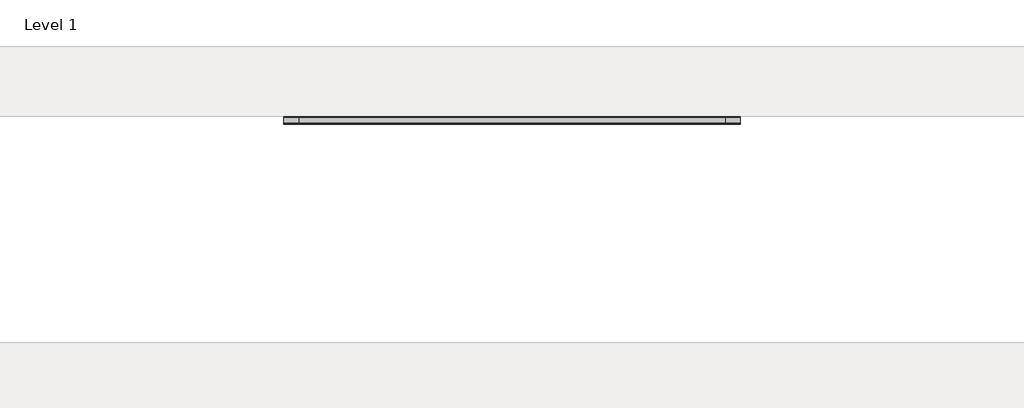
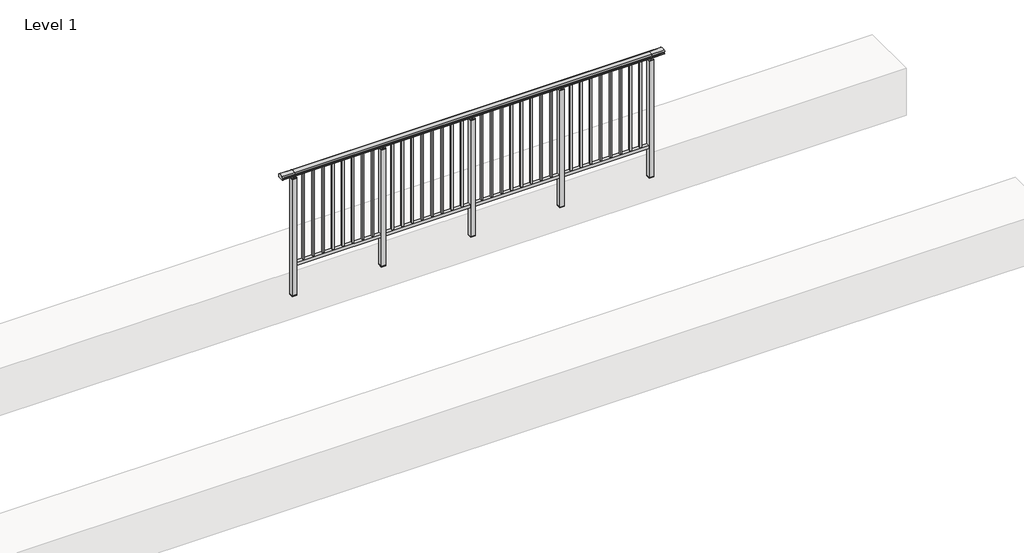
# One storey, part 35 of 64: 1 railing.
"""IFC4 building model written with IfcOpenShell, lengths in millimetres."""

from ifc_helpers import new_model, si_unit, frame, origin, place, context, project, spatial, polyline, circle_curve, outline, extrude, element, save
from ifc_brep_helpers import plane_surface, cylinder_surface, revolved_surface, advanced_brep

model = new_model("IFC4")

# Units and contexts
model_context = context("Model", 3, world=origin())
ifc_project = project(units=[si_unit("LENGTHUNIT", "METRE", prefix="MILLI")], contexts=[model_context])

# Site, building, storey
site = spatial("IfcSite", under=ifc_project)
building = spatial("IfcBuilding", under=site)
storey = spatial("IfcBuildingStorey", under=building, Name="Level 1", Elevation=0.0)

# Railing
placement = place(None, origin())
element("IfcRailing", 1, at=placement, inside=storey, context=model_context, shape_type="SolidModel", body=[
    advanced_brep(
    [(19372.5, 22392.8633756, 1095.6691182), (19372.5, 22397.6846828, 1081.1334092), (19372.5, 22396.7413744, 1069.2539035), (19372.5, 22398.6364177, 1061.4863007), (19372.5, 22396.9894799, 1060.384124), (19372.5, 22396.9894799, 1062.0), (19372.5, 22338.3798858, 1062.0), (19372.5, 22338.3798858, 1060.384124), (19372.5, 22336.732948, 1061.4863007), (19372.5, 22338.6279912, 1069.2539035), (19372.5, 22337.6846828, 1081.1334092), (19372.5, 22342.50599, 1095.6691182), (23227.5, 22392.8633756, 1095.6691182), (23227.5, 22342.50599, 1095.6691182), (23227.5, 22337.6846828, 1081.1334092), (23227.5, 22338.6279912, 1069.2539035), (23227.5, 22336.732948, 1061.4863007), (23227.5, 22338.3798858, 1060.384124), (23227.5, 22338.3798858, 1062.0), (23227.5, 22396.9894799, 1062.0), (23227.5, 22396.9894799, 1060.384124), (23227.5, 22398.6364177, 1061.4863007), (23227.5, 22396.7413744, 1069.2539035), (23227.5, 22397.6846828, 1081.1334092), (19500.0, 22392.8633756, 1095.6691182), (19500.0, 22397.6846828, 1081.1334092), (19500.0, 22396.7413744, 1069.2539035), (19500.0, 22398.6364177, 1061.4863007), (19500.0, 22396.9894799, 1060.384124), (19500.0, 22396.9894799, 1062.0), (19500.0, 22338.3798858, 1062.0), (19500.0, 22338.3798858, 1060.384124), (19500.0, 22336.732948, 1061.4863007), (19500.0, 22338.6279912, 1069.2539035), (19500.0, 22337.6846828, 1081.1334092), (19500.0, 22342.50599, 1095.6691182), (23100.0, 22392.8633756, 1095.6691182), (23100.0, 22397.6846828, 1081.1334092), (23100.0, 22396.7413744, 1069.2539035), (23100.0, 22398.6364177, 1061.4863007), (23100.0, 22396.9894799, 1060.384124), (23100.0, 22396.9894799, 1062.0), (23100.0, 22338.3798858, 1062.0), (23100.0, 22338.3798858, 1060.384124), (23100.0, 22336.732948, 1061.4863007), (23100.0, 22338.6279912, 1069.2539035), (23100.0, 22337.6846828, 1081.1334092), (23100.0, 22342.50599, 1095.6691182)],
    [
        (0, 1, circle_curve(frame((19372.5, 22389.6223845, 1086.526686), z_axis=(-1.0, 0.0, 0.0), x_axis=(0.0, -1.0, 0.0)), 9.6999015)),
        (1, 2, circle_curve(frame((19372.5, 22415.2252545, 1073.7633709), z_axis=(1.0, 0.0, 0.0), x_axis=(0.0, -1.0, 0.0)), 19.0260117)),
        (2, 3),
        (3, 4, circle_curve(frame((19372.5, 22397.7772073, 1060.9886194), z_axis=(-1.0, 0.0, 0.0), x_axis=(0.0, -1.0, 0.0)), 0.9929396)),
        (4, 5),
        (5, 6),
        (6, 7),
        (7, 8, circle_curve(frame((19372.5, 22337.5921584, 1060.9886194), z_axis=(-1.0, 0.0, 0.0), x_axis=(0.0, 1.0, 0.0)), 0.9929396)),
        (8, 9),
        (9, 10, circle_curve(frame((19372.5, 22320.1441111, 1073.7633709), z_axis=(1.0, 0.0, 0.0), x_axis=(0.0, 1.0, 0.0)), 19.0260117)),
        (10, 11, circle_curve(frame((19372.5, 22345.7469812, 1086.526686), z_axis=(-1.0, 0.0, 0.0), x_axis=(0.0, 1.0, 0.0)), 9.6999015)),
        (11, 0, circle_curve(frame((19372.5, 22367.6846828, 1024.6431628), z_axis=(-1.0, 0.0, 0.0), x_axis=(0.0, 1.0, 0.0)), 75.3568372)),
        (12, 13, circle_curve(frame((23227.5, 22367.6846828, 1024.6431628), z_axis=(1.0, 0.0, 0.0), x_axis=(0.0, 1.0, 0.0)), 75.3568372)),
        (13, 14, circle_curve(frame((23227.5, 22345.7469812, 1086.526686), z_axis=(1.0, 0.0, 0.0), x_axis=(0.0, 1.0, 0.0)), 9.6999015)),
        (14, 15, circle_curve(frame((23227.5, 22320.1441111, 1073.7633709), z_axis=(-1.0, 0.0, 0.0), x_axis=(0.0, 1.0, 0.0)), 19.0260117)),
        (15, 16),
        (16, 17, circle_curve(frame((23227.5, 22337.5921584, 1060.9886194), z_axis=(1.0, 0.0, 0.0), x_axis=(0.0, 1.0, 0.0)), 0.9929396)),
        (17, 18),
        (18, 19),
        (19, 20),
        (20, 21, circle_curve(frame((23227.5, 22397.7772073, 1060.9886194), z_axis=(1.0, 0.0, 0.0), x_axis=(0.0, -1.0, 0.0)), 0.9929396)),
        (21, 22),
        (22, 23, circle_curve(frame((23227.5, 22415.2252545, 1073.7633709), z_axis=(-1.0, 0.0, 0.0), x_axis=(0.0, -1.0, 0.0)), 19.0260117)),
        (23, 12, circle_curve(frame((23227.5, 22389.6223845, 1086.526686), z_axis=(1.0, 0.0, 0.0), x_axis=(0.0, -1.0, 0.0)), 9.6999015)),
        (0, 24),
        (24, 25, circle_curve(frame((19500.0, 22389.6223845, 1086.526686), z_axis=(-1.0, 0.0, 0.0), x_axis=(0.0, -1.0, 0.0)), 9.6999015)),
        (25, 1),
        (25, 26, circle_curve(frame((19500.0, 22415.2252545, 1073.7633709), z_axis=(1.0, 0.0, 0.0), x_axis=(0.0, -1.0, 0.0)), 19.0260117)),
        (26, 2),
        (26, 27),
        (27, 3),
        (27, 28, circle_curve(frame((19500.0, 22397.7772073, 1060.9886194), z_axis=(-1.0, 0.0, 0.0), x_axis=(0.0, -1.0, 0.0)), 0.9929396)),
        (28, 4),
        (28, 29),
        (29, 5),
        (29, 30),
        (30, 6),
        (30, 31),
        (31, 7),
        (31, 32, circle_curve(frame((19500.0, 22337.5921584, 1060.9886194), z_axis=(-1.0, 0.0, 0.0), x_axis=(0.0, 1.0, 0.0)), 0.9929396)),
        (32, 8),
        (32, 33),
        (33, 9),
        (33, 34, circle_curve(frame((19500.0, 22320.1441111, 1073.7633709), z_axis=(1.0, 0.0, 0.0), x_axis=(0.0, 1.0, 0.0)), 19.0260117)),
        (34, 10),
        (34, 35, circle_curve(frame((19500.0, 22345.7469812, 1086.526686), z_axis=(-1.0, 0.0, 0.0), x_axis=(0.0, 1.0, 0.0)), 9.6999015)),
        (35, 11),
        (35, 24, circle_curve(frame((19500.0, 22367.6846828, 1024.6431628), z_axis=(-1.0, 0.0, 0.0), x_axis=(0.0, 1.0, 0.0)), 75.3568372)),
        (24, 36),
        (36, 37, circle_curve(frame((23100.0, 22389.6223845, 1086.526686), z_axis=(-1.0, 0.0, 0.0), x_axis=(0.0, -1.0, 0.0)), 9.6999015)),
        (37, 25),
        (37, 38, circle_curve(frame((23100.0, 22415.2252545, 1073.7633709), z_axis=(1.0, 0.0, 0.0), x_axis=(0.0, -1.0, 0.0)), 19.0260117)),
        (38, 26),
        (38, 39),
        (39, 27),
        (39, 40, circle_curve(frame((23100.0, 22397.7772073, 1060.9886194), z_axis=(-1.0, 0.0, 0.0), x_axis=(0.0, -1.0, 0.0)), 0.9929396)),
        (40, 28),
        (40, 41),
        (41, 29),
        (41, 42),
        (42, 30),
        (42, 43),
        (43, 31),
        (43, 44, circle_curve(frame((23100.0, 22337.5921584, 1060.9886194), z_axis=(-1.0, 0.0, 0.0), x_axis=(0.0, 1.0, 0.0)), 0.9929396)),
        (44, 32),
        (44, 45),
        (45, 33),
        (45, 46, circle_curve(frame((23100.0, 22320.1441111, 1073.7633709), z_axis=(1.0, 0.0, 0.0), x_axis=(0.0, 1.0, 0.0)), 19.0260117)),
        (46, 34),
        (46, 47, circle_curve(frame((23100.0, 22345.7469812, 1086.526686), z_axis=(-1.0, 0.0, 0.0), x_axis=(0.0, 1.0, 0.0)), 9.6999015)),
        (47, 35),
        (47, 36, circle_curve(frame((23100.0, 22367.6846828, 1024.6431628), z_axis=(-1.0, 0.0, 0.0), x_axis=(0.0, 1.0, 0.0)), 75.3568372)),
        (36, 12),
        (23, 37),
        (22, 38),
        (21, 39),
        (20, 40),
        (19, 41),
        (18, 42),
        (17, 43),
        (16, 44),
        (15, 45),
        (14, 46),
        (13, 47),
    ],
    [
        plane_surface(frame((19372.5, 22367.6846828, 1100.0), z_axis=(-1.0, 0.0, 0.0), x_axis=(0.0, 1.0, 0.0))),
        plane_surface(frame((23227.5, 22367.6846828, 1100.0), z_axis=(1.0, 0.0, 0.0), x_axis=(0.0, 1.0, 0.0))),
        cylinder_surface(frame((19372.5, 22389.6223845, 1086.526686), z_axis=(-1.0, 0.0, 0.0), x_axis=(0.0, -1.0, 0.0)), 9.6999015),
        revolved_surface(polyline([(19500.0, 22396.1992428, 1073.7633709), (19372.5, 22396.1992428, 1073.7633709)]), (19372.5, 22415.2252545, 1073.7633709), (1.0, 0.0, 0.0)),
        plane_surface(frame((19372.5, 22396.7413744, 1069.2539035), z_axis=(0.0, 0.9715057689301543, 0.2370159086125439), x_axis=(1.0, 0.0, 0.0))),
        cylinder_surface(frame((19372.5, 22397.7772073, 1060.9886194), z_axis=(-1.0, 0.0, 0.0), x_axis=(0.0, -1.0, 0.0)), 0.9929396),
        plane_surface(frame((19372.5, 22396.9894799, 1060.384124), z_axis=(0.0, -1.0, 0.0), x_axis=(1.0, 0.0, 0.0))),
        plane_surface(frame((19372.5, 22396.9894799, 1062.0), z_axis=(0.0, 0.0, -1.0), x_axis=(1.0, 0.0, 0.0))),
        plane_surface(frame((19372.5, 22338.3798858, 1062.0), z_axis=(0.0, 1.0, 0.0), x_axis=(1.0, 0.0, 0.0))),
        cylinder_surface(frame((19372.5, 22337.5921584, 1060.9886194), z_axis=(-1.0, 0.0, 0.0), x_axis=(0.0, 1.0, 0.0)), 0.9929396),
        plane_surface(frame((19372.5, 22336.732948, 1061.4863007), z_axis=(0.0, -0.9715057689301543, 0.2370159086125439), x_axis=(1.0, 0.0, 0.0))),
        revolved_surface(polyline([(19500.0, 22339.1701228, 1073.7633709), (19372.5, 22339.1701228, 1073.7633709)]), (19372.5, 22320.1441111, 1073.7633709), (1.0, 0.0, 0.0)),
        cylinder_surface(frame((19372.5, 22345.7469812, 1086.526686), z_axis=(-1.0, 0.0, 0.0), x_axis=(0.0, 1.0, 0.0)), 9.6999015),
        cylinder_surface(frame((19372.5, 22367.6846828, 1024.6431628), z_axis=(-1.0, 0.0, 0.0), x_axis=(0.0, 1.0, 0.0)), 75.3568372),
        cylinder_surface(frame((19500.0, 22389.6223845, 1086.526686), z_axis=(-1.0, 0.0, 0.0), x_axis=(0.0, -1.0, 0.0)), 9.6999015),
        revolved_surface(polyline([(23100.0, 22396.1992428, 1073.7633709), (19500.0, 22396.1992428, 1073.7633709)]), (19500.0, 22415.2252545, 1073.7633709), (1.0, 0.0, 0.0)),
        plane_surface(frame((19500.0, 22396.7413744, 1069.2539035), z_axis=(0.0, 0.9715057689301543, 0.2370159086125439), x_axis=(1.0, 0.0, 0.0))),
        cylinder_surface(frame((19500.0, 22397.7772073, 1060.9886194), z_axis=(-1.0, 0.0, 0.0), x_axis=(0.0, -1.0, 0.0)), 0.9929396),
        plane_surface(frame((19500.0, 22396.9894799, 1060.384124), z_axis=(0.0, -1.0, 0.0), x_axis=(1.0, 0.0, 0.0))),
        plane_surface(frame((19500.0, 22396.9894799, 1062.0), z_axis=(0.0, 0.0, -1.0), x_axis=(1.0, 0.0, 0.0))),
        plane_surface(frame((19500.0, 22338.3798858, 1062.0), z_axis=(0.0, 1.0, 0.0), x_axis=(1.0, 0.0, 0.0))),
        cylinder_surface(frame((19500.0, 22337.5921584, 1060.9886194), z_axis=(-1.0, 0.0, 0.0), x_axis=(0.0, 1.0, 0.0)), 0.9929396),
        plane_surface(frame((19500.0, 22336.732948, 1061.4863007), z_axis=(0.0, -0.9715057689301543, 0.2370159086125439), x_axis=(1.0, 0.0, 0.0))),
        revolved_surface(polyline([(23100.0, 22339.1701228, 1073.7633709), (19500.0, 22339.1701228, 1073.7633709)]), (19500.0, 22320.1441111, 1073.7633709), (1.0, 0.0, 0.0)),
        cylinder_surface(frame((19500.0, 22345.7469812, 1086.526686), z_axis=(-1.0, 0.0, 0.0), x_axis=(0.0, 1.0, 0.0)), 9.6999015),
        cylinder_surface(frame((19500.0, 22367.6846828, 1024.6431628), z_axis=(-1.0, 0.0, 0.0), x_axis=(0.0, 1.0, 0.0)), 75.3568372),
        cylinder_surface(frame((23100.0, 22389.6223845, 1086.526686), z_axis=(-1.0, 0.0, 0.0), x_axis=(0.0, -1.0, 0.0)), 9.6999015),
        revolved_surface(polyline([(23227.5, 22396.1992428, 1073.7633709), (23100.0, 22396.1992428, 1073.7633709)]), (23100.0, 22415.2252545, 1073.7633709), (1.0, 0.0, 0.0)),
        plane_surface(frame((23100.0, 22396.7413744, 1069.2539035), z_axis=(0.0, 0.9715057689301543, 0.2370159086125439), x_axis=(1.0, 0.0, 0.0))),
        cylinder_surface(frame((23100.0, 22397.7772073, 1060.9886194), z_axis=(-1.0, 0.0, 0.0), x_axis=(0.0, -1.0, 0.0)), 0.9929396),
        plane_surface(frame((23100.0, 22396.9894799, 1060.384124), z_axis=(0.0, -1.0, 0.0), x_axis=(1.0, 0.0, 0.0))),
        plane_surface(frame((23100.0, 22396.9894799, 1062.0), z_axis=(0.0, 0.0, -1.0), x_axis=(1.0, 0.0, 0.0))),
        plane_surface(frame((23100.0, 22338.3798858, 1062.0), z_axis=(0.0, 1.0, 0.0), x_axis=(1.0, 0.0, 0.0))),
        cylinder_surface(frame((23100.0, 22337.5921584, 1060.9886194), z_axis=(-1.0, 0.0, 0.0), x_axis=(0.0, 1.0, 0.0)), 0.9929396),
        plane_surface(frame((23100.0, 22336.732948, 1061.4863007), z_axis=(0.0, -0.9715057689301543, 0.2370159086125439), x_axis=(1.0, 0.0, 0.0))),
        revolved_surface(polyline([(23227.5, 22339.1701228, 1073.7633709), (23100.0, 22339.1701228, 1073.7633709)]), (23100.0, 22320.1441111, 1073.7633709), (1.0, 0.0, 0.0)),
        cylinder_surface(frame((23100.0, 22345.7469812, 1086.526686), z_axis=(-1.0, 0.0, 0.0), x_axis=(0.0, 1.0, 0.0)), 9.6999015),
        cylinder_surface(frame((23100.0, 22367.6846828, 1024.6431628), z_axis=(-1.0, 0.0, 0.0), x_axis=(0.0, 1.0, 0.0)), 75.3568372),
    ],
    [
        (0, [[1, 2, 3, 4, 5, 6, 7, 8, 9, 10, 11, 12]]),
        (1, [[13, 14, 15, 16, 17, 18, 19, 20, 21, 22, 23, 24]]),
        (2, [[-1, 25, 26, 27]]),
        (3, [[-2, -27, 28, 29]]),
        (4, [[-3, -29, 30, 31]]),
        (5, [[-4, -31, 32, 33]]),
        (6, [[-5, -33, 34, 35]]),
        (7, [[-6, -35, 36, 37]]),
        (8, [[-7, -37, 38, 39]]),
        (9, [[-8, -39, 40, 41]]),
        (10, [[-9, -41, 42, 43]]),
        (11, [[-10, -43, 44, 45]]),
        (12, [[-11, -45, 46, 47]]),
        (13, [[-12, -47, 48, -25]]),
        (14, [[-26, 49, 50, 51]]),
        (15, [[-28, -51, 52, 53]]),
        (16, [[-30, -53, 54, 55]]),
        (17, [[-32, -55, 56, 57]]),
        (18, [[-34, -57, 58, 59]]),
        (19, [[-36, -59, 60, 61]]),
        (20, [[-38, -61, 62, 63]]),
        (21, [[-40, -63, 64, 65]]),
        (22, [[-42, -65, 66, 67]]),
        (23, [[-44, -67, 68, 69]]),
        (24, [[-46, -69, 70, 71]]),
        (25, [[-48, -71, 72, -49]]),
        (26, [[-50, 73, -24, 74]]),
        (27, [[-52, -74, -23, 75]]),
        (28, [[-54, -75, -22, 76]]),
        (29, [[-56, -76, -21, 77]]),
        (30, [[-58, -77, -20, 78]]),
        (31, [[-60, -78, -19, 79]]),
        (32, [[-62, -79, -18, 80]]),
        (33, [[-64, -80, -17, 81]]),
        (34, [[-66, -81, -16, 82]]),
        (35, [[-68, -82, -15, 83]]),
        (36, [[-70, -83, -14, 84]]),
        (37, [[-72, -84, -13, -73]]),
    ],
),
    extrude(outline(polyline([(19500.0, 22350.1846828), (19500.0, 22385.1846828), (23100.0, 22385.1846828), (23100.0, 22350.1846828), (19500.0, 22350.1846828)])), frame((0.0, 0.0, 95.0), z_axis=(0.0, 0.0, 1.0), x_axis=(1.0, 0.0, 0.0)), (0.0, 0.0, 1.0), 30.0),
    extrude(outline(polyline([(23008.5, 22359.1846828), (22991.5, 22359.1846828), (22991.5, 22376.1846828), (23008.5, 22376.1846828), (23008.5, 22359.1846828)])), frame((0.0, 0.0, 125.0), z_axis=(0.0, 0.0, 1.0), x_axis=(1.0, 0.0, 0.0)), (0.0, 0.0, 1.0), 930.0),
    extrude(outline(polyline([(22908.5, 22359.1846828), (22891.5, 22359.1846828), (22891.5, 22376.1846828), (22908.5, 22376.1846828), (22908.5, 22359.1846828)])), frame((0.0, 0.0, 125.0), z_axis=(0.0, 0.0, 1.0), x_axis=(1.0, 0.0, 0.0)), (0.0, 0.0, 1.0), 930.0),
    extrude(outline(polyline([(22808.5, 22359.1846828), (22791.5, 22359.1846828), (22791.5, 22376.1846828), (22808.5, 22376.1846828), (22808.5, 22359.1846828)])), frame((0.0, 0.0, 125.0), z_axis=(0.0, 0.0, 1.0), x_axis=(1.0, 0.0, 0.0)), (0.0, 0.0, 1.0), 930.0),
    extrude(outline(polyline([(22708.5, 22359.1846828), (22691.5, 22359.1846828), (22691.5, 22376.1846828), (22708.5, 22376.1846828), (22708.5, 22359.1846828)])), frame((0.0, 0.0, 125.0), z_axis=(0.0, 0.0, 1.0), x_axis=(1.0, 0.0, 0.0)), (0.0, 0.0, 1.0), 930.0),
    extrude(outline(polyline([(22608.5, 22359.1846828), (22591.5, 22359.1846828), (22591.5, 22376.1846828), (22608.5, 22376.1846828), (22608.5, 22359.1846828)])), frame((0.0, 0.0, 125.0), z_axis=(0.0, 0.0, 1.0), x_axis=(1.0, 0.0, 0.0)), (0.0, 0.0, 1.0), 930.0),
    extrude(outline(polyline([(22508.5, 22359.1846828), (22491.5, 22359.1846828), (22491.5, 22376.1846828), (22508.5, 22376.1846828), (22508.5, 22359.1846828)])), frame((0.0, 0.0, 125.0), z_axis=(0.0, 0.0, 1.0), x_axis=(1.0, 0.0, 0.0)), (0.0, 0.0, 1.0), 930.0),
    extrude(outline(polyline([(22408.5, 22359.1846828), (22391.5, 22359.1846828), (22391.5, 22376.1846828), (22408.5, 22376.1846828), (22408.5, 22359.1846828)])), frame((0.0, 0.0, 125.0), z_axis=(0.0, 0.0, 1.0), x_axis=(1.0, 0.0, 0.0)), (0.0, 0.0, 1.0), 930.0),
    extrude(outline(polyline([(22308.5, 22359.1846828), (22291.5, 22359.1846828), (22291.5, 22376.1846828), (22308.5, 22376.1846828), (22308.5, 22359.1846828)])), frame((0.0, 0.0, 125.0), z_axis=(0.0, 0.0, 1.0), x_axis=(1.0, 0.0, 0.0)), (0.0, 0.0, 1.0), 930.0),
    extrude(outline(polyline([(22222.5, 22390.1846828), (22222.5, 22345.1846828), (22177.5, 22345.1846828), (22177.5, 22390.1846828), (22222.5, 22390.1846828)])), frame((0.0, 0.0, 1027.0), z_axis=(0.0, 0.0, 1.0), x_axis=(1.0, 0.0, 0.0)), (0.0, 0.0, 1.0), 8.0),
    extrude(outline(polyline([(22222.5, 22390.1846828), (22222.5, 22345.1846828), (22177.5, 22345.1846828), (22177.5, 22390.1846828), (22222.5, 22390.1846828)])), frame((0.0, 0.0, -212.0), z_axis=(0.0, 0.0, 1.0), x_axis=(1.0, 0.0, 0.0)), (0.0, 0.0, 1.0), 1239.0),
    extrude(outline(polyline([(22210.0, 22377.6846828), (22210.0, 22357.6846828), (22190.0, 22357.6846828), (22190.0, 22377.6846828), (22210.0, 22377.6846828)])), frame((0.0, 0.0, 1035.0), z_axis=(0.0, 0.0, 1.0), x_axis=(1.0, 0.0, 0.0)), (0.0, 0.0, 1.0), 20.0),
    extrude(outline(polyline([(22222.5, 22390.1846828), (22222.5, 22345.1846828), (22177.5, 22345.1846828), (22177.5, 22390.1846828), (22222.5, 22390.1846828)])), frame((0.0, 0.0, -220.0), z_axis=(0.0, 0.0, 1.0), x_axis=(1.0, 0.0, 0.0)), (0.0, 0.0, 1.0), 8.0),
    extrude(outline(polyline([(22108.5, 22359.1846828), (22091.5, 22359.1846828), (22091.5, 22376.1846828), (22108.5, 22376.1846828), (22108.5, 22359.1846828)])), frame((0.0, 0.0, 125.0), z_axis=(0.0, 0.0, 1.0), x_axis=(1.0, 0.0, 0.0)), (0.0, 0.0, 1.0), 930.0),
    extrude(outline(polyline([(22008.5, 22359.1846828), (21991.5, 22359.1846828), (21991.5, 22376.1846828), (22008.5, 22376.1846828), (22008.5, 22359.1846828)])), frame((0.0, 0.0, 125.0), z_axis=(0.0, 0.0, 1.0), x_axis=(1.0, 0.0, 0.0)), (0.0, 0.0, 1.0), 930.0),
    extrude(outline(polyline([(21908.5, 22359.1846828), (21891.5, 22359.1846828), (21891.5, 22376.1846828), (21908.5, 22376.1846828), (21908.5, 22359.1846828)])), frame((0.0, 0.0, 125.0), z_axis=(0.0, 0.0, 1.0), x_axis=(1.0, 0.0, 0.0)), (0.0, 0.0, 1.0), 930.0),
    extrude(outline(polyline([(21808.5, 22359.1846828), (21791.5, 22359.1846828), (21791.5, 22376.1846828), (21808.5, 22376.1846828), (21808.5, 22359.1846828)])), frame((0.0, 0.0, 125.0), z_axis=(0.0, 0.0, 1.0), x_axis=(1.0, 0.0, 0.0)), (0.0, 0.0, 1.0), 930.0),
    extrude(outline(polyline([(21708.5, 22359.1846828), (21691.5, 22359.1846828), (21691.5, 22376.1846828), (21708.5, 22376.1846828), (21708.5, 22359.1846828)])), frame((0.0, 0.0, 125.0), z_axis=(0.0, 0.0, 1.0), x_axis=(1.0, 0.0, 0.0)), (0.0, 0.0, 1.0), 930.0),
    extrude(outline(polyline([(21608.5, 22359.1846828), (21591.5, 22359.1846828), (21591.5, 22376.1846828), (21608.5, 22376.1846828), (21608.5, 22359.1846828)])), frame((0.0, 0.0, 125.0), z_axis=(0.0, 0.0, 1.0), x_axis=(1.0, 0.0, 0.0)), (0.0, 0.0, 1.0), 930.0),
    extrude(outline(polyline([(21508.5, 22359.1846828), (21491.5, 22359.1846828), (21491.5, 22376.1846828), (21508.5, 22376.1846828), (21508.5, 22359.1846828)])), frame((0.0, 0.0, 125.0), z_axis=(0.0, 0.0, 1.0), x_axis=(1.0, 0.0, 0.0)), (0.0, 0.0, 1.0), 930.0),
    extrude(outline(polyline([(21408.5, 22359.1846828), (21391.5, 22359.1846828), (21391.5, 22376.1846828), (21408.5, 22376.1846828), (21408.5, 22359.1846828)])), frame((0.0, 0.0, 125.0), z_axis=(0.0, 0.0, 1.0), x_axis=(1.0, 0.0, 0.0)), (0.0, 0.0, 1.0), 930.0),
    extrude(outline(polyline([(21322.5, 22390.1846828), (21322.5, 22345.1846828), (21277.5, 22345.1846828), (21277.5, 22390.1846828), (21322.5, 22390.1846828)])), frame((0.0, 0.0, 1027.0), z_axis=(0.0, 0.0, 1.0), x_axis=(1.0, 0.0, 0.0)), (0.0, 0.0, 1.0), 8.0),
    extrude(outline(polyline([(21322.5, 22390.1846828), (21322.5, 22345.1846828), (21277.5, 22345.1846828), (21277.5, 22390.1846828), (21322.5, 22390.1846828)])), frame((0.0, 0.0, -212.0), z_axis=(0.0, 0.0, 1.0), x_axis=(1.0, 0.0, 0.0)), (0.0, 0.0, 1.0), 1239.0),
    extrude(outline(polyline([(21310.0, 22377.6846828), (21310.0, 22357.6846828), (21290.0, 22357.6846828), (21290.0, 22377.6846828), (21310.0, 22377.6846828)])), frame((0.0, 0.0, 1035.0), z_axis=(0.0, 0.0, 1.0), x_axis=(1.0, 0.0, 0.0)), (0.0, 0.0, 1.0), 20.0),
    extrude(outline(polyline([(21322.5, 22390.1846828), (21322.5, 22345.1846828), (21277.5, 22345.1846828), (21277.5, 22390.1846828), (21322.5, 22390.1846828)])), frame((0.0, 0.0, -220.0), z_axis=(0.0, 0.0, 1.0), x_axis=(1.0, 0.0, 0.0)), (0.0, 0.0, 1.0), 8.0),
    extrude(outline(polyline([(21208.5, 22359.1846828), (21191.5, 22359.1846828), (21191.5, 22376.1846828), (21208.5, 22376.1846828), (21208.5, 22359.1846828)])), frame((0.0, 0.0, 125.0), z_axis=(0.0, 0.0, 1.0), x_axis=(1.0, 0.0, 0.0)), (0.0, 0.0, 1.0), 930.0),
    extrude(outline(polyline([(21108.5, 22359.1846828), (21091.5, 22359.1846828), (21091.5, 22376.1846828), (21108.5, 22376.1846828), (21108.5, 22359.1846828)])), frame((0.0, 0.0, 125.0), z_axis=(0.0, 0.0, 1.0), x_axis=(1.0, 0.0, 0.0)), (0.0, 0.0, 1.0), 930.0),
    extrude(outline(polyline([(21008.5, 22359.1846828), (20991.5, 22359.1846828), (20991.5, 22376.1846828), (21008.5, 22376.1846828), (21008.5, 22359.1846828)])), frame((0.0, 0.0, 125.0), z_axis=(0.0, 0.0, 1.0), x_axis=(1.0, 0.0, 0.0)), (0.0, 0.0, 1.0), 930.0),
    extrude(outline(polyline([(20908.5, 22359.1846828), (20891.5, 22359.1846828), (20891.5, 22376.1846828), (20908.5, 22376.1846828), (20908.5, 22359.1846828)])), frame((0.0, 0.0, 125.0), z_axis=(0.0, 0.0, 1.0), x_axis=(1.0, 0.0, 0.0)), (0.0, 0.0, 1.0), 930.0),
    extrude(outline(polyline([(20808.5, 22359.1846828), (20791.5, 22359.1846828), (20791.5, 22376.1846828), (20808.5, 22376.1846828), (20808.5, 22359.1846828)])), frame((0.0, 0.0, 125.0), z_axis=(0.0, 0.0, 1.0), x_axis=(1.0, 0.0, 0.0)), (0.0, 0.0, 1.0), 930.0),
    extrude(outline(polyline([(20708.5, 22359.1846828), (20691.5, 22359.1846828), (20691.5, 22376.1846828), (20708.5, 22376.1846828), (20708.5, 22359.1846828)])), frame((0.0, 0.0, 125.0), z_axis=(0.0, 0.0, 1.0), x_axis=(1.0, 0.0, 0.0)), (0.0, 0.0, 1.0), 930.0),
    extrude(outline(polyline([(20608.5, 22359.1846828), (20591.5, 22359.1846828), (20591.5, 22376.1846828), (20608.5, 22376.1846828), (20608.5, 22359.1846828)])), frame((0.0, 0.0, 125.0), z_axis=(0.0, 0.0, 1.0), x_axis=(1.0, 0.0, 0.0)), (0.0, 0.0, 1.0), 930.0),
    extrude(outline(polyline([(20508.5, 22359.1846828), (20491.5, 22359.1846828), (20491.5, 22376.1846828), (20508.5, 22376.1846828), (20508.5, 22359.1846828)])), frame((0.0, 0.0, 125.0), z_axis=(0.0, 0.0, 1.0), x_axis=(1.0, 0.0, 0.0)), (0.0, 0.0, 1.0), 930.0),
    extrude(outline(polyline([(20422.5, 22390.1846828), (20422.5, 22345.1846828), (20377.5, 22345.1846828), (20377.5, 22390.1846828), (20422.5, 22390.1846828)])), frame((0.0, 0.0, 1027.0), z_axis=(0.0, 0.0, 1.0), x_axis=(1.0, 0.0, 0.0)), (0.0, 0.0, 1.0), 8.0),
    extrude(outline(polyline([(20422.5, 22390.1846828), (20422.5, 22345.1846828), (20377.5, 22345.1846828), (20377.5, 22390.1846828), (20422.5, 22390.1846828)])), frame((0.0, 0.0, -212.0), z_axis=(0.0, 0.0, 1.0), x_axis=(1.0, 0.0, 0.0)), (0.0, 0.0, 1.0), 1239.0),
    extrude(outline(polyline([(20410.0, 22377.6846828), (20410.0, 22357.6846828), (20390.0, 22357.6846828), (20390.0, 22377.6846828), (20410.0, 22377.6846828)])), frame((0.0, 0.0, 1035.0), z_axis=(0.0, 0.0, 1.0), x_axis=(1.0, 0.0, 0.0)), (0.0, 0.0, 1.0), 20.0),
    extrude(outline(polyline([(20422.5, 22390.1846828), (20422.5, 22345.1846828), (20377.5, 22345.1846828), (20377.5, 22390.1846828), (20422.5, 22390.1846828)])), frame((0.0, 0.0, -220.0), z_axis=(0.0, 0.0, 1.0), x_axis=(1.0, 0.0, 0.0)), (0.0, 0.0, 1.0), 8.0),
    extrude(outline(polyline([(20308.5, 22359.1846828), (20291.5, 22359.1846828), (20291.5, 22376.1846828), (20308.5, 22376.1846828), (20308.5, 22359.1846828)])), frame((0.0, 0.0, 125.0), z_axis=(0.0, 0.0, 1.0), x_axis=(1.0, 0.0, 0.0)), (0.0, 0.0, 1.0), 930.0),
    extrude(outline(polyline([(20208.5, 22359.1846828), (20191.5, 22359.1846828), (20191.5, 22376.1846828), (20208.5, 22376.1846828), (20208.5, 22359.1846828)])), frame((0.0, 0.0, 125.0), z_axis=(0.0, 0.0, 1.0), x_axis=(1.0, 0.0, 0.0)), (0.0, 0.0, 1.0), 930.0),
    extrude(outline(polyline([(20108.5, 22359.1846828), (20091.5, 22359.1846828), (20091.5, 22376.1846828), (20108.5, 22376.1846828), (20108.5, 22359.1846828)])), frame((0.0, 0.0, 125.0), z_axis=(0.0, 0.0, 1.0), x_axis=(1.0, 0.0, 0.0)), (0.0, 0.0, 1.0), 930.0),
    extrude(outline(polyline([(20008.5, 22359.1846828), (19991.5, 22359.1846828), (19991.5, 22376.1846828), (20008.5, 22376.1846828), (20008.5, 22359.1846828)])), frame((0.0, 0.0, 125.0), z_axis=(0.0, 0.0, 1.0), x_axis=(1.0, 0.0, 0.0)), (0.0, 0.0, 1.0), 930.0),
    extrude(outline(polyline([(19908.5, 22359.1846828), (19891.5, 22359.1846828), (19891.5, 22376.1846828), (19908.5, 22376.1846828), (19908.5, 22359.1846828)])), frame((0.0, 0.0, 125.0), z_axis=(0.0, 0.0, 1.0), x_axis=(1.0, 0.0, 0.0)), (0.0, 0.0, 1.0), 930.0),
    extrude(outline(polyline([(19808.5, 22359.1846828), (19791.5, 22359.1846828), (19791.5, 22376.1846828), (19808.5, 22376.1846828), (19808.5, 22359.1846828)])), frame((0.0, 0.0, 125.0), z_axis=(0.0, 0.0, 1.0), x_axis=(1.0, 0.0, 0.0)), (0.0, 0.0, 1.0), 930.0),
    extrude(outline(polyline([(19708.5, 22359.1846828), (19691.5, 22359.1846828), (19691.5, 22376.1846828), (19708.5, 22376.1846828), (19708.5, 22359.1846828)])), frame((0.0, 0.0, 125.0), z_axis=(0.0, 0.0, 1.0), x_axis=(1.0, 0.0, 0.0)), (0.0, 0.0, 1.0), 930.0),
    extrude(outline(polyline([(19608.5, 22359.1846828), (19591.5, 22359.1846828), (19591.5, 22376.1846828), (19608.5, 22376.1846828), (19608.5, 22359.1846828)])), frame((0.0, 0.0, 125.0), z_axis=(0.0, 0.0, 1.0), x_axis=(1.0, 0.0, 0.0)), (0.0, 0.0, 1.0), 930.0),
    extrude(outline(polyline([(23122.5, 22390.1846828), (23122.5, 22345.1846828), (23077.5, 22345.1846828), (23077.5, 22390.1846828), (23122.5, 22390.1846828)])), frame((0.0, 0.0, 1027.0), z_axis=(0.0, 0.0, 1.0), x_axis=(1.0, 0.0, 0.0)), (0.0, 0.0, 1.0), 8.0),
    extrude(outline(polyline([(23122.5, 22390.1846828), (23122.5, 22345.1846828), (23077.5, 22345.1846828), (23077.5, 22390.1846828), (23122.5, 22390.1846828)])), frame((0.0, 0.0, -212.0), z_axis=(0.0, 0.0, 1.0), x_axis=(1.0, 0.0, 0.0)), (0.0, 0.0, 1.0), 1239.0),
    extrude(outline(polyline([(23110.0, 22377.6846828), (23110.0, 22357.6846828), (23090.0, 22357.6846828), (23090.0, 22377.6846828), (23110.0, 22377.6846828)])), frame((0.0, 0.0, 1035.0), z_axis=(0.0, 0.0, 1.0), x_axis=(1.0, 0.0, 0.0)), (0.0, 0.0, 1.0), 20.0),
    extrude(outline(polyline([(23122.5, 22390.1846828), (23122.5, 22345.1846828), (23077.5, 22345.1846828), (23077.5, 22390.1846828), (23122.5, 22390.1846828)])), frame((0.0, 0.0, -220.0), z_axis=(0.0, 0.0, 1.0), x_axis=(1.0, 0.0, 0.0)), (0.0, 0.0, 1.0), 8.0),
    extrude(outline(polyline([(19522.5, 22390.1846828), (19522.5, 22345.1846828), (19477.5, 22345.1846828), (19477.5, 22390.1846828), (19522.5, 22390.1846828)])), frame((0.0, 0.0, 1027.0), z_axis=(0.0, 0.0, 1.0), x_axis=(1.0, 0.0, 0.0)), (0.0, 0.0, 1.0), 8.0),
    extrude(outline(polyline([(19522.5, 22390.1846828), (19522.5, 22345.1846828), (19477.5, 22345.1846828), (19477.5, 22390.1846828), (19522.5, 22390.1846828)])), frame((0.0, 0.0, -212.0), z_axis=(0.0, 0.0, 1.0), x_axis=(1.0, 0.0, 0.0)), (0.0, 0.0, 1.0), 1239.0),
    extrude(outline(polyline([(19510.0, 22377.6846828), (19510.0, 22357.6846828), (19490.0, 22357.6846828), (19490.0, 22377.6846828), (19510.0, 22377.6846828)])), frame((0.0, 0.0, 1035.0), z_axis=(0.0, 0.0, 1.0), x_axis=(1.0, 0.0, 0.0)), (0.0, 0.0, 1.0), 20.0),
    extrude(outline(polyline([(19522.5, 22390.1846828), (19522.5, 22345.1846828), (19477.5, 22345.1846828), (19477.5, 22390.1846828), (19522.5, 22390.1846828)])), frame((0.0, 0.0, -220.0), z_axis=(0.0, 0.0, 1.0), x_axis=(1.0, 0.0, 0.0)), (0.0, 0.0, 1.0), 8.0),
])

save(model, "model.ifc")
